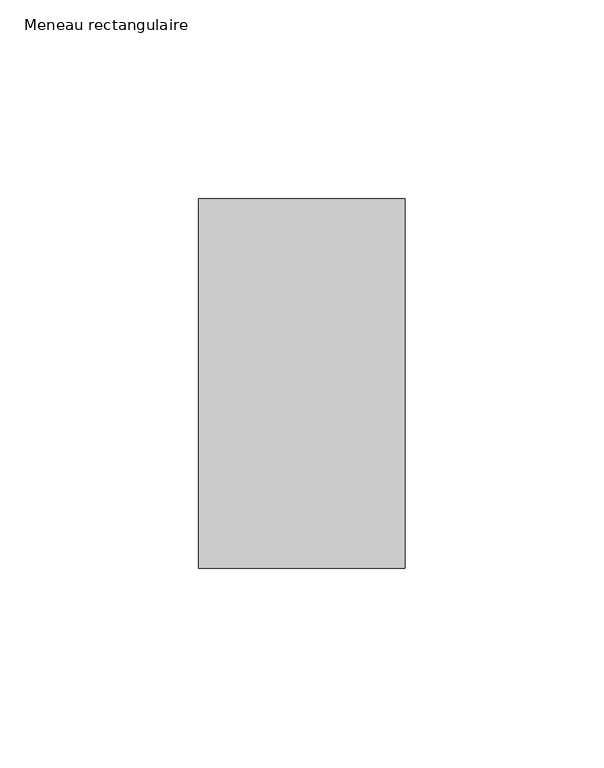
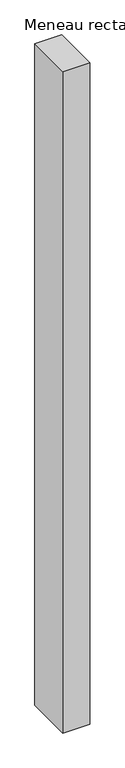
"""IFC4 building model written with IfcOpenShell, lengths in millimetres: member geometry, Meneau rectangulaire."""

from ifc_helpers import new_model, si_unit, frame, origin, place, context, project, spatial, polyline, outline, extrude, source, transform, mapped, element, save


def meneau_rectangulaire_ef8b7e45(model_context):
    return source(origin(), model_context, "Body", "SweptSolid", [
        extrude(outline(polyline([(-52.0, 46.5), (0.0, 46.5), (0.0, -46.5), (-52.0, -46.5), (-52.0, 46.5)])), frame((0.0, 0.0, -1343.6666669), z_axis=(0.0, 0.0, 1.0), x_axis=(1.0, 0.0, 0.0)), (0.0, 0.0, 1.0), 1343.6666669),
    ])


if __name__ == "__main__":
    model = new_model("IFC4")
    model_context = context("Model", 3, world=origin())
    ifc_project = project(units=[si_unit("LENGTHUNIT", "METRE", prefix="MILLI")], contexts=[model_context])
    site = spatial("IfcSite", under=ifc_project)
    building = spatial("IfcBuilding", under=site)
    placement = place(None, origin())
    meneau_rectangulaire_shape = meneau_rectangulaire_ef8b7e45(model_context)
    element("IfcMember", 1, ObjectType="Meneau rectangulaire", at=placement, inside=building, context=model_context, shape_type="MappedRepresentation", body=[
        mapped(meneau_rectangulaire_shape, transform((0.0, 0.0, 0.0), x_axis=(1.0, 0.0, 0.0), y_axis=(0.0, 1.0, 0.0), z_axis=(0.0, 0.0, 1.0))),
    ])
    save(model, "model.ifc")
